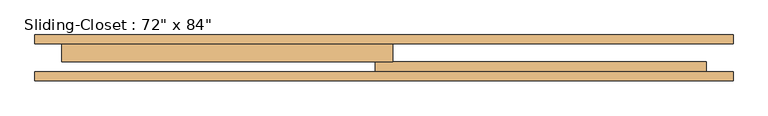
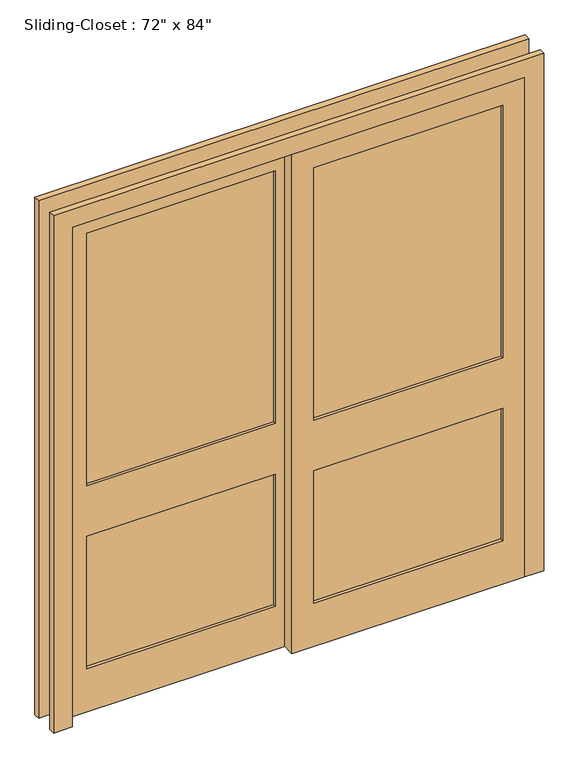
"""IFC4 building model written with IfcOpenShell, lengths in millimetres: door geometry."""

from ifc_helpers import new_model, si_unit, frame, origin, place, context, project, spatial, polyline, outline, extrude, source, transform, mapped, element, save


def door_2602ff6b(model_context):
    return source(origin(), model_context, "Body", "SweptSolid", [
        extrude(outline(polyline([(-63.5, 128.5875), (-825.5, 128.5875), (-825.5, 153.9875), (-63.5, 153.9875), (-63.5, 128.5875)])), frame((0.0, 0.0, 965.2), z_axis=(0.0, 0.0, 1.0), x_axis=(1.0, 0.0, 0.0)), (0.0, 0.0, 1.0), 1079.5),
        extrude(outline(polyline([(-63.5, 128.5875), (-825.5, 128.5875), (-825.5, 153.9875), (-63.5, 153.9875), (-63.5, 128.5875)])), frame((0.0, 0.0, 184.15), z_axis=(0.0, 0.0, 1.0), x_axis=(1.0, 0.0, 0.0)), (0.0, 0.0, 1.0), 565.15),
        extrude(outline(polyline([(63.5, 103.1875), (825.5, 103.1875), (825.5, 77.7875), (63.5, 77.7875), (63.5, 103.1875)])), frame((0.0, 0.0, 965.2), z_axis=(0.0, 0.0, 1.0), x_axis=(1.0, 0.0, 0.0)), (0.0, 0.0, 1.0), 1079.5),
        extrude(outline(polyline([(63.5, 103.1875), (825.5, 103.1875), (825.5, 77.7875), (63.5, 77.7875), (63.5, 103.1875)])), frame((0.0, 0.0, 184.15), z_axis=(0.0, 0.0, 1.0), x_axis=(1.0, 0.0, 0.0)), (0.0, 0.0, 1.0), 565.15),
        extrude(outline(polyline([(2133.6, 25.4), (2133.6, -914.4), (0.0, -914.4), (0.0, 25.4), (2133.6, 25.4)]), holes=[polyline([(184.15, -825.5), (749.3, -825.5), (749.3, -63.5), (184.15, -63.5), (184.15, -825.5)]), polyline([(965.2, -825.5), (2044.7, -825.5), (2044.7, -63.5), (965.2, -63.5), (965.2, -825.5)])]), frame((0.0, 115.8875, 0.0), z_axis=(0.0, 1.0, 0.0), x_axis=(0.0, 0.0, 1.0)), (0.0, 0.0, 1.0), 50.8),
        extrude(outline(polyline([(0.0, -990.6), (0.0, -914.4), (2133.6, -914.4), (2133.6, 914.4), (0.0, 914.4), (0.0, 990.6), (2209.8, 990.6), (2209.8, -990.6), (0.0, -990.6)])), frame((0.0, 61.9125, 0.0), z_axis=(0.0, 1.0, 0.0), x_axis=(0.0, 0.0, 1.0)), (0.0, 0.0, 1.0), 25.4),
        extrude(outline(polyline([(0.0, 990.6), (2209.8, 990.6), (2209.8, -990.6), (0.0, -990.6), (0.0, -914.4), (2133.6, -914.4), (2133.6, 914.4), (0.0, 914.4), (0.0, 990.6)])), frame((0.0, 166.6875, 0.0), z_axis=(0.0, 1.0, 0.0), x_axis=(0.0, 0.0, 1.0)), (0.0, 0.0, 1.0), 25.4),
        extrude(outline(polyline([(2133.6, -25.4), (0.0, -25.4), (0.0, 914.4), (2133.6, 914.4), (2133.6, -25.4)]), holes=[polyline([(965.2, 825.5), (965.2, 63.5), (2044.7, 63.5), (2044.7, 825.5), (965.2, 825.5)]), polyline([(184.15, 825.5), (184.15, 63.5), (749.3, 63.5), (749.3, 825.5), (184.15, 825.5)])]), frame((0.0, 65.0875, 0.0), z_axis=(0.0, 1.0, 0.0), x_axis=(0.0, 0.0, 1.0)), (0.0, 0.0, 1.0), 50.8),
    ])


if __name__ == "__main__":
    model = new_model("IFC4")
    model_context = context("Model", 3, world=origin())
    ifc_project = project(units=[si_unit("LENGTHUNIT", "METRE", prefix="MILLI")], contexts=[model_context])
    site = spatial("IfcSite", under=ifc_project)
    building = spatial("IfcBuilding", under=site)
    placement = place(None, origin())
    door_shape = door_2602ff6b(model_context)
    element("IfcDoor", 1, ObjectType="Sliding-Closet : 72\" x 84\"", at=placement, inside=building, context=model_context, shape_type="MappedRepresentation", body=[
        mapped(door_shape, transform((0.0, 0.0, 0.0), x_axis=(1.0, 0.0, 0.0), y_axis=(0.0, 1.0, 0.0), z_axis=(0.0, 0.0, 1.0))),
    ])
    save(model, "model.ifc")
